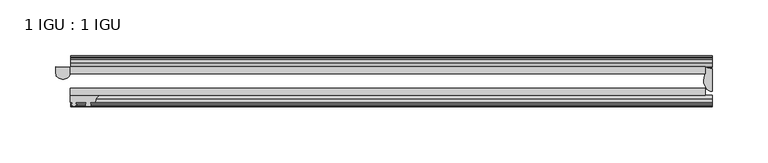
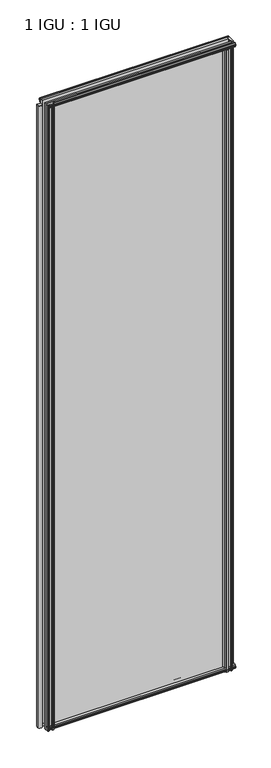
"""IFC4 building model written with IfcOpenShell, lengths in millimetres: plate geometry, 1 IGU : 1 IGU."""

from ifc_helpers import new_model, si_unit, point, frame, frame_2d, origin, place, context, project, spatial, polyline, circle_curve, ellipse_curve, trimmed, segment, composite_curve, outline, extrude, source, transform, mapped, element, save
from ifc_brep_helpers import plane_surface, cylinder_surface, revolved_surface, extruded_surface, advanced_brep


def plate_1_igu_1_igu_2c85bb90(model_context):
    return source(origin(), model_context, "Body", "SolidModel", [
        extrude(outline(polyline([(-253.9035758, -38.6468937), (314.3277946, -38.6468937), (314.3277946, -44.9460938), (-253.9035758, -44.9460938), (-253.9035758, -38.6468937)])), frame((0.0, 0.0, -12.7), z_axis=(0.0, 0.0, 1.0), x_axis=(1.0, 0.0, 0.0)), (0.0, 0.0, 1.0), 2019.2872996),
        extrude(outline(polyline([(-253.9035758, -19.5460937), (314.3277946, -19.5460937), (314.3277946, -25.8960938), (-253.9035758, -25.8960938), (-253.9035758, -19.5460937)])), frame((0.0, 0.0, -12.7), z_axis=(0.0, 0.0, 1.0), x_axis=(1.0, 0.0, 0.0)), (0.0, 0.0, 1.0), 2019.2872996),
        advanced_brep(
        [(-266.5794103, -19.5460937, 1993.8872996), (-266.5794103, -25.8452937, 1993.8872996), (-253.8794103, -25.8452937, 1993.8872996), (-253.8794103, -19.5460937, 1993.8872996), (-266.5794103, -19.5460937, -12.7), (-253.8794103, -19.5460937, -12.7), (-253.8794103, -25.8452937, -12.7), (-266.5794103, -25.8452937, -12.7)],
        [
            (0, 1),
            (1, 2, ellipse_curve(frame((-260.2294103, -25.8452937, 1993.8872996), z_axis=(0.0, 0.0, 1.0), x_axis=(1.0, 0.0, 0.0)), 6.35, 4.7800819)),
            (2, 3),
            (3, 0, circle_curve(frame((-260.2294103, 20.9435078, 1993.8872996), z_axis=(0.0, 0.0, -1.0), x_axis=(0.0, 1.0, 0.0)), 40.9845134)),
            (4, 5, circle_curve(frame((-260.2294103, 20.9435078, -12.7), z_axis=(0.0, 0.0, 1.0), x_axis=(0.0, 1.0, 0.0)), 40.9845134)),
            (5, 6),
            (6, 7, ellipse_curve(frame((-260.2294103, -25.8452937, -12.7), z_axis=(0.0, 0.0, -1.0), x_axis=(1.0, 0.0, 0.0)), 6.35, 4.7800819)),
            (7, 4),
            (0, 4),
            (7, 1),
            (6, 2),
            (5, 3),
        ],
        [
            plane_surface(frame((-253.2090446, -13.1960937, 1993.8872996), z_axis=(0.0, 0.0, 1.0), x_axis=(0.0, 1.0, 0.0))),
            plane_surface(frame((-253.2090446, -13.1960937, -12.7), z_axis=(0.0, 0.0, -1.0), x_axis=(0.0, 1.0, 0.0))),
            plane_surface(frame((-266.5794103, -19.5460937, 1993.8872996), z_axis=(-1.0, 0.0, 0.0), x_axis=(0.0, 0.0, -1.0))),
            extruded_surface(trimmed(ellipse_curve(frame((-260.2294103, -25.8452937, -12.7), z_axis=(0.0, 0.0, 1.0), x_axis=(1.0, 0.0, 0.0)), 6.35, 4.7800819), [point((-266.5794103, -25.8452937, -12.7))], [point((-253.8794103, -25.8452937, -12.7))], True, "CARTESIAN"), (0.0, 0.0, 2006.5872996), 2006.5872996),
            plane_surface(frame((-253.8794103, -25.8452937, 1993.8872996), z_axis=(1.0, 0.0, 0.0), x_axis=(0.0, 0.0, -1.0))),
            revolved_surface(polyline([(-260.2294103, 61.928021199999996, -12.700000000000045), (-260.2294103, 61.928021199999996, 1993.8872996)]), (-260.2294103, 20.9435078, 1993.8872996), (0.0, 0.0, -1.0)),
        ],
        [
            (0, [[1, 2, 3, 4]]),
            (1, [[5, 6, 7, 8]]),
            (2, [[-1, 9, -8, 10]]),
            (3, [[-2, -10, -7, 11]]),
            (4, [[-3, -11, -6, 12]]),
            (5, [[-4, -12, -5, -9]]),
        ],
    ),
        advanced_brep(
        [(320.6777946, -21.1709383, -12.4587), (320.6777946, -41.5384061, -12.4587), (313.1554574, -32.2460938, -12.4587), (314.3277946, -25.8452938, -12.4587), (314.3277946, -19.5460938, -12.4587), (320.6777946, -21.1709383, 2006.5872996), (314.3277946, -19.5460938, 2006.5872996), (314.3277946, -25.8452938, 2006.5872996), (313.1554574, -32.2460938, 2006.5872996), (320.6777946, -41.5384061, 2006.5872996)],
        [
            (0, 1),
            (1, 2, ellipse_curve(frame((320.6777946, -32.2460938, -12.4587), z_axis=(0.0, 0.0, -1.0), x_axis=(0.0, -1.0, 0.0)), 9.2923124, 7.5223371)),
            (2, 3, circle_curve(frame((331.2153709, -32.2460938, -12.4587), z_axis=(0.0, 0.0, -1.0), x_axis=(1.0, 0.0, 0.0)), 18.0599135)),
            (3, 4),
            (4, 0, circle_curve(frame((320.6777946, -7.950406, -12.4587), z_axis=(0.0, 0.0, 1.0), x_axis=(1.0, 0.0, 0.0)), 13.2205323)),
            (5, 6, circle_curve(frame((320.6777946, -7.950406, 2006.5872996), z_axis=(0.0, 0.0, -1.0), x_axis=(1.0, 0.0, 0.0)), 13.2205323)),
            (6, 7),
            (7, 8, circle_curve(frame((331.2153709, -32.2460938, 2006.5872996), z_axis=(0.0, 0.0, 1.0), x_axis=(1.0, 0.0, 0.0)), 18.0599135)),
            (8, 9, ellipse_curve(frame((320.6777946, -32.2460938, 2006.5872996), z_axis=(0.0, 0.0, 1.0), x_axis=(0.0, -1.0, 0.0)), 9.2923124, 7.5223371)),
            (9, 5),
            (1, 9),
            (8, 2),
            (7, 3),
            (6, 4),
            (5, 0),
        ],
        [
            plane_surface(frame((320.6777946, -13.1960938, -12.4587), z_axis=(0.0, 0.0, -1.0), x_axis=(0.0, 1.0, 0.0))),
            plane_surface(frame((320.6777946, -13.1960938, 2006.5872996), z_axis=(0.0, 0.0, 1.0), x_axis=(0.0, 1.0, 0.0))),
            extruded_surface(trimmed(ellipse_curve(frame((320.6777946, -32.2460938, 2006.5872996), z_axis=(0.0, 0.0, -1.0), x_axis=(0.0, -1.0, 0.0)), 9.2923124, 7.5223371), [point((320.6777946, -41.5384061, 2006.5872996))], [point((313.1554574, -32.2460938, 2006.5872996))], True, "CARTESIAN"), (0.0, 0.0, -2019.0459996), 2019.0459996),
            cylinder_surface(frame((331.2153709, -32.2460938, -12.4587), z_axis=(0.0, 0.0, -1.0), x_axis=(1.0, 0.0, 0.0)), 18.0599135),
            plane_surface(frame((314.3277946, -25.8452938, -12.4587), z_axis=(-1.0, 0.0, 0.0), x_axis=(0.0, 0.0, 1.0))),
            revolved_surface(polyline([(333.89832690000003, -7.950406, 2006.5872996), (333.89832690000003, -7.950406, -12.4587)]), (320.6777946, -7.950406, -12.4587), (0.0, 0.0, 1.0)),
            plane_surface(frame((320.6777946, -21.1709383, -12.4587), z_axis=(1.0, 0.0, 0.0), x_axis=(0.0, 0.0, 1.0))),
        ],
        [
            (0, [[1, 2, 3, 4, 5]]),
            (1, [[6, 7, 8, 9, 10]]),
            (2, [[-2, 11, -9, 12]]),
            (3, [[-3, -12, -8, 13]]),
            (4, [[-4, -13, -7, 14]]),
            (5, [[-5, -14, -6, 15]]),
            (6, [[-1, -15, -10, -11]]),
        ],
    ),
        extrude(outline(polyline([(-44.9460937, 1.7177181), (-44.9460937, -9.1036578), (-48.3496937, -11.938), (-51.2960937, -11.938), (-51.2960937, -7.493), (-53.6762907, -7.112), (-53.2163575, -8.5275291), (-54.0175717, -8.5275291), (-54.7250937, -6.35), (-54.0175717, -4.1724709), (-53.2163575, -4.1724709), (-53.6762907, -5.588), (-51.2960937, -5.207), (-51.2960937, 0.0), (-44.9460937, 1.7177181)])), frame((-253.2090446, 0.0, 0.0), z_axis=(1.0, 0.0, 0.0), x_axis=(0.0, 1.0, 0.0)), (0.0, 0.0, 1.0), 573.8868391),
        extrude(outline(polyline([(-13.1960937, -12.4587), (-16.1424937, -12.4587), (-19.5460937, -9.6243578), (-19.5460937, 1.1970181), (-13.1960937, -0.5207), (-13.1960937, -5.7277), (-10.8158968, -6.1087), (-11.27583, -4.6931709), (-10.4746158, -4.6931709), (-9.7670937, -6.8707), (-10.4746158, -9.0482291), (-11.27583, -9.0482291), (-10.8158968, -7.6327), (-13.1960937, -8.0137), (-13.1960937, -12.4587)])), frame((-253.2090446, 0.0, 0.0), z_axis=(1.0, 0.0, 0.0), x_axis=(0.0, 1.0, 0.0)), (0.0, 0.0, 1.0), 573.8868391),
        extrude(outline(polyline([(-51.2960937, 2005.8252996), (-48.3496937, 2005.8252996), (-44.9460937, 2002.9909574), (-44.9460937, 1992.1695815), (-51.2960937, 1993.8872996), (-51.2960937, 1999.0942996), (-53.6762907, 1999.4752996), (-53.2163575, 1998.0597705), (-54.0175717, 1998.0597705), (-54.7250937, 2000.2372996), (-54.0175717, 2002.4148286), (-53.2163575, 2002.4148286), (-53.6762907, 2000.9992996), (-51.2960937, 2001.3802996), (-51.2960937, 2005.8252996)])), frame((-253.2090446, 0.0, 0.0), z_axis=(1.0, 0.0, 0.0), x_axis=(0.0, 1.0, 0.0)), (0.0, 0.0, 1.0), 573.8868391),
        extrude(outline(polyline([(-19.5460937, 1992.6902815), (-19.5460937, 2003.5116574), (-16.1424937, 2006.3459996), (-13.1960937, 2006.3459996), (-13.1960937, 2001.9009996), (-10.8158968, 2001.5199996), (-11.27583, 2002.9355286), (-10.4746158, 2002.9355286), (-9.7670937, 2000.7579996), (-10.4746158, 1998.5804705), (-11.27583, 1998.5804705), (-10.8158968, 1999.9959996), (-13.1960937, 1999.6149996), (-13.1960937, 1994.4079996), (-19.5460937, 1992.6902815)])), frame((-253.2090446, 0.0, 0.0), z_axis=(1.0, 0.0, 0.0), x_axis=(0.0, 1.0, 0.0)), (0.0, 0.0, 1.0), 573.8868391),
        extrude(outline(composite_curve([segment(polyline([(311.1527947, -44.9460938), (311.1527947, -51.2960938), (309.5017947, -51.2960938), (309.5017947, -52.9470938), (310.5794255, -52.9470938)]), True, "CONTINUOUS"), segment(trimmed(circle_curve(frame_2d((309.5017947, -52.9470938)), 1.0776307), [point((310.5794255, -52.9470938))], [point((310.2637947, -53.7090938))], False, "CARTESIAN"), True, "CONTINUOUS"), segment(polyline([(310.2637947, -53.7090938), (308.5245023, -54.8194621)]), True, "CONTINUOUS"), segment(trimmed(circle_curve(frame_2d((307.9777947, -53.9630938)), 1.016), [point((308.5245023, -54.8194621))], [point((307.4310871, -54.8194621))], False, "CARTESIAN"), True, "CONTINUOUS"), segment(polyline([(307.4310871, -54.8194621), (305.6917947, -53.7090938)]), True, "CONTINUOUS"), segment(trimmed(circle_curve(frame_2d((306.4537947, -52.9470938)), 1.0776307), [point((305.6917947, -53.7090938))], [point((305.376164, -52.9470938))], False, "CARTESIAN"), True, "CONTINUOUS"), segment(polyline([(305.376164, -52.9470938), (306.4537947, -52.9470938), (306.4537947, -51.2960938), (297.3859947, -51.2960938)]), True, "CONTINUOUS"), segment(trimmed(circle_curve(frame_2d((297.3859947, -51.7532938)), 0.4572), [point((297.3859947, -51.2960938))], [point((297.0471769, -52.0602698))], True, "CARTESIAN"), True, "CONTINUOUS"), segment(trimmed(circle_curve(frame_2d((295.2777947, -53.663367)), 2.3876), [point((297.0471769, -52.0602698))], [point((297.3484377, -54.8520938))], False, "CARTESIAN"), True, "CONTINUOUS"), segment(polyline([(297.3484377, -54.8520938), (293.2071517, -54.8520938)]), True, "CONTINUOUS"), segment(trimmed(circle_curve(frame_2d((295.2777947, -53.663367)), 2.3876), [point((293.2071517, -54.8520938))], [point((293.5084126, -52.0602698))], False, "CARTESIAN"), True, "CONTINUOUS"), segment(trimmed(circle_curve(frame_2d((293.1695947, -51.7532938)), 0.4572), [point((293.5084126, -52.0602698))], [point((293.1695947, -51.2960938))], True, "CARTESIAN"), True, "CONTINUOUS"), segment(polyline([(293.1695947, -51.2960938), (288.9277947, -51.2960938)]), True, "CONTINUOUS"), segment(trimmed(circle_curve(frame_2d((279.9118633, -51.9750196)), 9.0414579), [point((288.9277947, -51.2960938))], [point((285.5988802, -44.9460938))], True, "CARTESIAN"), True, "CONTINUOUS"), segment(polyline([(285.5988802, -44.9460938), (311.1527947, -44.9460938)]), True, "CONTINUOUS")], self_intersect=False)), frame((0.0, 0.0, -12.7), z_axis=(0.0, 0.0, 1.0), x_axis=(1.0, 0.0, 0.0)), (0.0, 0.0, 1.0), 2006.5872996),
        extrude(outline(composite_curve([segment(trimmed(circle_curve(frame_2d((-222.2657695, -51.9750196)), 9.0414579), [point((-227.9527864, -44.9460938))], [point((-231.281701, -51.2960938))], True, "CARTESIAN"), True, "CONTINUOUS"), segment(polyline([(-231.281701, -51.2960938), (-235.523501, -51.2960938)]), True, "CONTINUOUS"), segment(trimmed(circle_curve(frame_2d((-235.523501, -51.7532938)), 0.4572), [point((-235.523501, -51.2960938))], [point((-235.8623188, -52.0602698))], True, "CARTESIAN"), True, "CONTINUOUS"), segment(trimmed(circle_curve(frame_2d((-237.631701, -53.663367)), 2.3876), [point((-235.8623188, -52.0602698))], [point((-235.561058, -54.8520938))], False, "CARTESIAN"), True, "CONTINUOUS"), segment(polyline([(-235.561058, -54.8520938), (-239.702344, -54.8520938)]), True, "CONTINUOUS"), segment(trimmed(circle_curve(frame_2d((-237.631701, -53.663367)), 2.3876), [point((-239.702344, -54.8520938))], [point((-239.4010831, -52.0602698))], False, "CARTESIAN"), True, "CONTINUOUS"), segment(trimmed(circle_curve(frame_2d((-239.739901, -51.7532938)), 0.4572), [point((-239.4010831, -52.0602698))], [point((-239.739901, -51.2960938))], True, "CARTESIAN"), True, "CONTINUOUS"), segment(polyline([(-239.739901, -51.2960938), (-248.807701, -51.2960938), (-248.807701, -52.9470938), (-247.7300702, -52.9470938)]), True, "CONTINUOUS"), segment(trimmed(circle_curve(frame_2d((-248.807701, -52.9470938)), 1.0776307), [point((-247.7300702, -52.9470938))], [point((-248.045701, -53.7090938))], False, "CARTESIAN"), True, "CONTINUOUS"), segment(polyline([(-248.045701, -53.7090938), (-249.7849934, -54.8194621)]), True, "CONTINUOUS"), segment(trimmed(circle_curve(frame_2d((-250.331701, -53.9630938)), 1.016), [point((-249.7849934, -54.8194621))], [point((-250.8784086, -54.8194621))], False, "CARTESIAN"), True, "CONTINUOUS"), segment(polyline([(-250.8784086, -54.8194621), (-252.617701, -53.7090938)]), True, "CONTINUOUS"), segment(trimmed(circle_curve(frame_2d((-251.855701, -52.9470938)), 1.0776307), [point((-252.617701, -53.7090938))], [point((-252.9333317, -52.9470938))], False, "CARTESIAN"), True, "CONTINUOUS"), segment(polyline([(-252.9333317, -52.9470938), (-251.855701, -52.9470938), (-251.855701, -51.2960938), (-253.506701, -51.2960938), (-253.506701, -44.9460938), (-227.9527864, -44.9460938)]), True, "CONTINUOUS")], self_intersect=False)), frame((0.0, 0.0, -12.7), z_axis=(0.0, 0.0, 1.0), x_axis=(1.0, 0.0, 0.0)), (0.0, 0.0, 1.0), 2019.2872997),
    ])


if __name__ == "__main__":
    model = new_model("IFC4")
    model_context = context("Model", 3, world=origin())
    ifc_project = project(units=[si_unit("LENGTHUNIT", "METRE", prefix="MILLI")], contexts=[model_context])
    site = spatial("IfcSite", under=ifc_project)
    building = spatial("IfcBuilding", under=site)
    placement = place(None, origin())
    plate_1_igu_1_igu_shape = plate_1_igu_1_igu_2c85bb90(model_context)
    element("IfcPlate", 1, ObjectType="1 IGU : 1 IGU", at=placement, inside=building, context=model_context, shape_type="MappedRepresentation", body=[
        mapped(plate_1_igu_1_igu_shape, transform((0.0, 0.0, 0.0), x_axis=(1.0, 0.0, 0.0), y_axis=(0.0, 1.0, 0.0), z_axis=(0.0, 0.0, 1.0))),
    ])
    save(model, "model.ifc")
